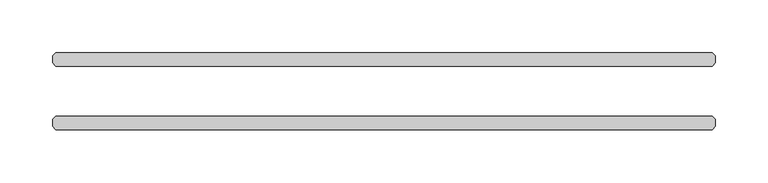
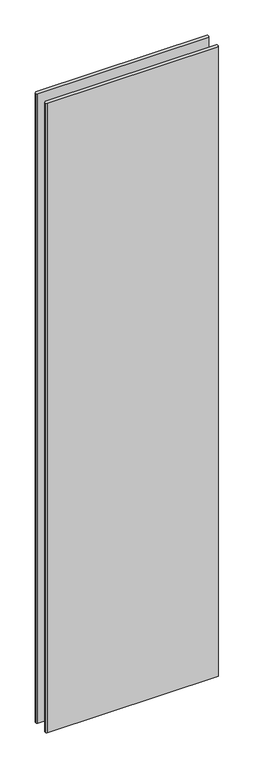
"""IFC4 building model written with IfcOpenShell, lengths in millimetres: plate geometry."""

import ifcopenshell
import ifcopenshell.guid

model = None  # the IFC model being written
_history = None  # IfcOwnerHistory: only IFC2X3 demands one
_inside = {}  # id of a spatial element -> (the spatial element, [elements in it])
_under = {}  # id of a project, library or spatial element -> (it, [spatial elements below it])
_declared = {}  # id of a project -> (the project, [libraries it declares])
_typed = {}  # id of a type object -> (the type object, [elements of that type])
_made_of = {}  # id of a material, layer set ... -> (it, [elements and type objects made of it])


def new_model(schema):
    """Start an empty IFC model of exactly this schema.

    Asked for "IFC4X3", IfcOpenShell would pick the latest addendum, in which some entities
    have other attributes; the version numbers below select the first issue.
    IFC2X3 requires an IfcOwnerHistory on every rooted entity: one is made here for all.
    """
    global model, _history
    if schema == "IFC4X3":
        model = ifcopenshell.file(schema_version=(4, 3, 0, 0))
    else:
        model = ifcopenshell.file(schema=schema)
    _inside.clear()
    _under.clear()
    _declared.clear()
    _typed.clear()
    _made_of.clear()
    _history = None
    if model.schema == "IFC2X3":
        org = make("IfcOrganization", Name="unknown")
        user = make(
            "IfcPersonAndOrganization",
            ThePerson=make("IfcPerson", FamilyName="unknown"),
            TheOrganization=org,
        )
        app = make(
            "IfcApplication",
            ApplicationDeveloper=org,
            Version="unknown",
            ApplicationFullName="unknown",
            ApplicationIdentifier="unknown",
        )
        _history = make(
            "IfcOwnerHistory",
            OwningUser=user,
            OwningApplication=app,
            ChangeAction="ADDED",
            CreationDate=0,
        )
    return model


def make(cls, **values):
    """One entity of the class cls with the attributes given. An attribute that is None is left unset."""
    return model.create_entity(
        cls, **{name: value for name, value in values.items() if value is not None}
    )


def rooted(cls, **values):
    """An entity with a GlobalId (a new one), such as an element, a storey or a relation."""
    return make(cls, GlobalId=ifcopenshell.guid.new(), OwnerHistory=_history, **values)


def si_unit(unit_type, name, prefix=None):
    """IfcSIUnit, for example si_unit("LENGTHUNIT", "METRE", prefix="MILLI")."""
    return make("IfcSIUnit", UnitType=unit_type, Prefix=prefix, Name=name)


def assignment(units):
    """IfcUnitAssignment: the units of a project."""
    return None if units is None else make("IfcUnitAssignment", Units=units)


def point(xyz):
    """IfcCartesianPoint."""
    return None if xyz is None else make("IfcCartesianPoint", Coordinates=xyz)


def direction(xyz):
    """IfcDirection."""
    return None if xyz is None else make("IfcDirection", DirectionRatios=xyz)


def frame(location, z_axis=None, x_axis=None):
    """IfcAxis2Placement3D, a coordinate frame: its origin and axes. An axis left out is left unset."""
    return make(
        "IfcAxis2Placement3D",
        Location=point(location),
        Axis=direction(z_axis),
        RefDirection=direction(x_axis),
    )


def origin():
    """The frame at (0, 0, 0) with its axes left unset."""
    return frame((0.0, 0.0, 0.0))


def origin_with_axes():
    """The frame at (0, 0, 0) with the z axis (0, 0, 1) and the x axis (1, 0, 0) written out."""
    return frame((0.0, 0.0, 0.0), z_axis=(0.0, 0.0, 1.0), x_axis=(1.0, 0.0, 0.0))


def place(relative_to, where):
    """IfcLocalPlacement: puts the frame where relative to a parent placement (None: the world)."""
    return make(
        "IfcLocalPlacement", PlacementRelTo=relative_to, RelativePlacement=where
    )


def context(
    kind, dimensions, precision=None, world=None, true_north=None, identifier=None
):
    """IfcGeometricRepresentationContext, for example the 3D "Model" context."""
    return make(
        "IfcGeometricRepresentationContext",
        ContextIdentifier=identifier,
        ContextType=kind,
        CoordinateSpaceDimension=dimensions,
        Precision=precision,
        WorldCoordinateSystem=world,
        TrueNorth=true_north,
    )


def project(units=None, contexts=None):
    """IfcProject with its units and contexts."""
    return rooted(
        "IfcProject",
        Name="project",
        RepresentationContexts=contexts,
        UnitsInContext=assignment(units),
    )


def spatial(cls, under=None, at=None, **own):
    """A site, building, storey or space (cls), placed at a placement, below another one or the project."""
    s = rooted(cls, ObjectPlacement=at, **own)
    if under is not None:
        _under.setdefault(under.id(), (under, []))[1].append(s)
    return s


def polyline(points):
    """IfcPolyline through the points."""
    return make("IfcPolyline", Points=[point(p) for p in points])


def outline(outer, holes=None, kind="AREA"):
    """IfcArbitraryClosedProfileDef: a profile drawn as a closed curve; with holes, ...WithVoids."""
    if holes is None:
        return make("IfcArbitraryClosedProfileDef", ProfileType=kind, OuterCurve=outer)
    return make(
        "IfcArbitraryProfileDefWithVoids",
        ProfileType=kind,
        OuterCurve=outer,
        InnerCurves=holes,
    )


def extrude(swept, where, along, depth):
    """IfcExtrudedAreaSolid: the profile swept, set in the frame where, extruded along a direction by depth."""
    return make(
        "IfcExtrudedAreaSolid",
        SweptArea=swept,
        Position=where,
        ExtrudedDirection=direction(along),
        Depth=depth,
    )


def shape(context_of_items, identifier, shape_type, items):
    """IfcShapeRepresentation: the items that make up one representation, for example the "Body"."""
    return make(
        "IfcShapeRepresentation",
        ContextOfItems=context_of_items,
        RepresentationIdentifier=identifier,
        RepresentationType=shape_type,
        Items=items,
    )


def source(mapping_origin, context_of_items, identifier, shape_type, items):
    """IfcRepresentationMap: a shape defined once, which mapped items show again and again."""
    return make(
        "IfcRepresentationMap",
        MappingOrigin=mapping_origin,
        MappedRepresentation=shape(context_of_items, identifier, shape_type, items),
    )


def transform(
    local_origin,
    x_axis=None,
    y_axis=None,
    z_axis=None,
    scale=None,
    scale2=None,
    scale3=None,
    uniform=True,
):
    """IfcCartesianTransformationOperator3D, or its non-uniform kind. x_axis, y_axis, z_axis: its Axis1, 2, 3."""
    if uniform:
        return make(
            "IfcCartesianTransformationOperator3D",
            Axis1=direction(x_axis),
            Axis2=direction(y_axis),
            LocalOrigin=point(local_origin),
            Scale=scale,
            Axis3=direction(z_axis),
        )
    return make(
        "IfcCartesianTransformationOperator3DnonUniform",
        Axis1=direction(x_axis),
        Axis2=direction(y_axis),
        LocalOrigin=point(local_origin),
        Scale=scale,
        Axis3=direction(z_axis),
        Scale2=scale2,
        Scale3=scale3,
    )


def mapped(mapping_source, mapping_target):
    """IfcMappedItem: shows the shape of a source again, moved by a transform."""
    return make(
        "IfcMappedItem", MappingSource=mapping_source, MappingTarget=mapping_target
    )


def made_of(thing, what):
    """Note that an element or type object is made of a material, layer set ...; save() writes the relation."""
    if what is not None:
        _made_of.setdefault(what.id(), (what, []))[1].append(thing)
    return thing


def element(
    cls,
    number,
    at=None,
    inside=None,
    cuts=None,
    type_object=None,
    material=None,
    context=None,
    identifier="Body",
    shape_type=None,
    held_by="IfcProductDefinitionShape",
    body=None,
    shapes=None,
    **own,
):
    """One element of the class cls, such as IfcWall. Its Tag is "e" and its number.

    at: its placement. inside: the storey or other place that contains it. cuts: it is an
    opening in that element (IfcRelVoidsElement). A single representation is given by context,
    identifier, shape_type and body (its items); several are given by shapes. held_by: the class
    of the entity that holds the representations. save() writes the other relations.
    """
    e = rooted(cls, Tag="e%d" % number, ObjectPlacement=at, **own)
    if body is not None:
        shapes = [shape(context, identifier, shape_type, body)]
    if shapes is not None:
        e.Representation = make(held_by, Representations=shapes)
    if inside is not None:
        _inside.setdefault(inside.id(), (inside, []))[1].append(e)
    if cuts is not None:
        rooted(
            "IfcRelVoidsElement", RelatingBuildingElement=cuts, RelatedOpeningElement=e
        )
    if type_object is not None:
        _typed.setdefault(type_object.id(), (type_object, []))[1].append(e)
    return made_of(e, material)


def aggregate(whole, parts):
    """IfcRelAggregates: a whole, such as a stair, and the parts it consists of."""
    return rooted("IfcRelAggregates", RelatingObject=whole, RelatedObjects=parts)


def save(model, path):
    """Write the relations noted so far, then the file.

    IfcRelAggregates (storeys below a building ...), IfcRelContainedInSpatialStructure (elements
    in a storey), IfcRelDefinesByType, IfcRelAssociatesMaterial and IfcRelDeclares: one each for
    every whole, place, type object, material and project.
    """
    for whole, parts in _under.values():
        aggregate(whole, parts)
    for where, things in _inside.values():
        rooted(
            "IfcRelContainedInSpatialStructure",
            RelatedElements=things,
            RelatingStructure=where,
        )
    for kind, things in _typed.values():
        rooted("IfcRelDefinesByType", RelatedObjects=things, RelatingType=kind)
    for what, things in _made_of.values():
        rooted("IfcRelAssociatesMaterial", RelatedObjects=things, RelatingMaterial=what)
    for by, libraries in _declared.values():
        rooted("IfcRelDeclares", RelatingContext=by, RelatedDefinitions=libraries)
    model.write(path)


def plate_3c9ab5f5(model_context):
    return source(origin(), model_context, "Body", "SweptSolid", [
        extrude(outline(polyline([(311.546875, 36.5125), (314.721875, 33.3375), (314.721875, 26.9875), (311.546875, 23.8125), (-311.546875, 23.8125), (-314.721875, 26.9875), (-314.721875, 33.3375), (-311.546875, 36.5125), (311.546875, 36.5125)])), origin_with_axes(), (0.0, 0.0, 1.0), 2428.7789267),
        extrude(outline(polyline([(311.546875, -23.8125), (314.721875, -26.9875), (314.721875, -33.3375), (311.546875, -36.5125), (-311.546875, -36.5125), (-314.721875, -33.3375), (-314.721875, -26.9875), (-311.546875, -23.8125), (311.546875, -23.8125)])), origin_with_axes(), (0.0, 0.0, 1.0), 2428.7789267),
    ])


if __name__ == "__main__":
    model = new_model("IFC4")
    model_context = context("Model", 3, world=origin())
    ifc_project = project(units=[si_unit("LENGTHUNIT", "METRE", prefix="MILLI")], contexts=[model_context])
    site = spatial("IfcSite", under=ifc_project)
    building = spatial("IfcBuilding", under=site)
    placement = place(None, origin())
    plate_shape = plate_3c9ab5f5(model_context)
    element("IfcPlate", 1, at=placement, inside=building, context=model_context, shape_type="MappedRepresentation", body=[
        mapped(plate_shape, transform((0.0, 0.0, 0.0), x_axis=(1.0, 0.0, 0.0), y_axis=(0.0, 1.0, 0.0), z_axis=(0.0, 0.0, 1.0))),
    ])
    save(model, "model.ifc")
